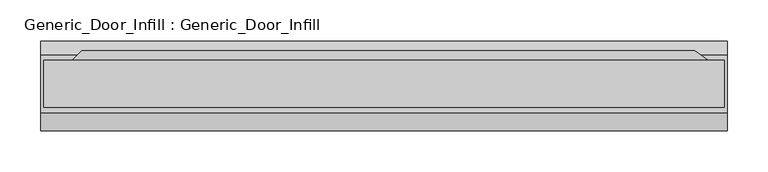
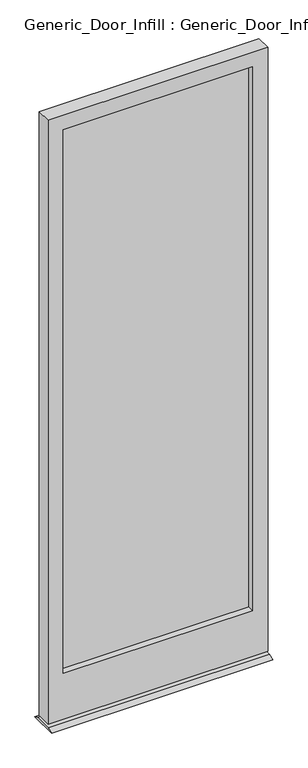
"""IFC4 building model written with IfcOpenShell, lengths in millimetres: plate geometry, Generic_Door_Infill : Generic_Door_Infill."""

import ifcopenshell
import ifcopenshell.guid

model = None  # the IFC model being written
_history = None  # IfcOwnerHistory: only IFC2X3 demands one
_inside = {}  # id of a spatial element -> (the spatial element, [elements in it])
_under = {}  # id of a project, library or spatial element -> (it, [spatial elements below it])
_declared = {}  # id of a project -> (the project, [libraries it declares])
_typed = {}  # id of a type object -> (the type object, [elements of that type])
_made_of = {}  # id of a material, layer set ... -> (it, [elements and type objects made of it])


def new_model(schema):
    """Start an empty IFC model of exactly this schema.

    Asked for "IFC4X3", IfcOpenShell would pick the latest addendum, in which some entities
    have other attributes; the version numbers below select the first issue.
    IFC2X3 requires an IfcOwnerHistory on every rooted entity: one is made here for all.
    """
    global model, _history
    if schema == "IFC4X3":
        model = ifcopenshell.file(schema_version=(4, 3, 0, 0))
    else:
        model = ifcopenshell.file(schema=schema)
    _inside.clear()
    _under.clear()
    _declared.clear()
    _typed.clear()
    _made_of.clear()
    _history = None
    if model.schema == "IFC2X3":
        org = make("IfcOrganization", Name="unknown")
        user = make(
            "IfcPersonAndOrganization",
            ThePerson=make("IfcPerson", FamilyName="unknown"),
            TheOrganization=org,
        )
        app = make(
            "IfcApplication",
            ApplicationDeveloper=org,
            Version="unknown",
            ApplicationFullName="unknown",
            ApplicationIdentifier="unknown",
        )
        _history = make(
            "IfcOwnerHistory",
            OwningUser=user,
            OwningApplication=app,
            ChangeAction="ADDED",
            CreationDate=0,
        )
    return model


def make(cls, **values):
    """One entity of the class cls with the attributes given. An attribute that is None is left unset."""
    return model.create_entity(
        cls, **{name: value for name, value in values.items() if value is not None}
    )


def rooted(cls, **values):
    """An entity with a GlobalId (a new one), such as an element, a storey or a relation."""
    return make(cls, GlobalId=ifcopenshell.guid.new(), OwnerHistory=_history, **values)


def si_unit(unit_type, name, prefix=None):
    """IfcSIUnit, for example si_unit("LENGTHUNIT", "METRE", prefix="MILLI")."""
    return make("IfcSIUnit", UnitType=unit_type, Prefix=prefix, Name=name)


def assignment(units):
    """IfcUnitAssignment: the units of a project."""
    return None if units is None else make("IfcUnitAssignment", Units=units)


def point(xyz):
    """IfcCartesianPoint."""
    return None if xyz is None else make("IfcCartesianPoint", Coordinates=xyz)


def direction(xyz):
    """IfcDirection."""
    return None if xyz is None else make("IfcDirection", DirectionRatios=xyz)


def frame(location, z_axis=None, x_axis=None):
    """IfcAxis2Placement3D, a coordinate frame: its origin and axes. An axis left out is left unset."""
    return make(
        "IfcAxis2Placement3D",
        Location=point(location),
        Axis=direction(z_axis),
        RefDirection=direction(x_axis),
    )


def origin():
    """The frame at (0, 0, 0) with its axes left unset."""
    return frame((0.0, 0.0, 0.0))


def place(relative_to, where):
    """IfcLocalPlacement: puts the frame where relative to a parent placement (None: the world)."""
    return make(
        "IfcLocalPlacement", PlacementRelTo=relative_to, RelativePlacement=where
    )


def context(
    kind, dimensions, precision=None, world=None, true_north=None, identifier=None
):
    """IfcGeometricRepresentationContext, for example the 3D "Model" context."""
    return make(
        "IfcGeometricRepresentationContext",
        ContextIdentifier=identifier,
        ContextType=kind,
        CoordinateSpaceDimension=dimensions,
        Precision=precision,
        WorldCoordinateSystem=world,
        TrueNorth=true_north,
    )


def project(units=None, contexts=None):
    """IfcProject with its units and contexts."""
    return rooted(
        "IfcProject",
        Name="project",
        RepresentationContexts=contexts,
        UnitsInContext=assignment(units),
    )


def spatial(cls, under=None, at=None, **own):
    """A site, building, storey or space (cls), placed at a placement, below another one or the project."""
    s = rooted(cls, ObjectPlacement=at, **own)
    if under is not None:
        _under.setdefault(under.id(), (under, []))[1].append(s)
    return s


def polyline(points):
    """IfcPolyline through the points."""
    return make("IfcPolyline", Points=[point(p) for p in points])


def outline(outer, holes=None, kind="AREA"):
    """IfcArbitraryClosedProfileDef: a profile drawn as a closed curve; with holes, ...WithVoids."""
    if holes is None:
        return make("IfcArbitraryClosedProfileDef", ProfileType=kind, OuterCurve=outer)
    return make(
        "IfcArbitraryProfileDefWithVoids",
        ProfileType=kind,
        OuterCurve=outer,
        InnerCurves=holes,
    )


def extrude(swept, where, along, depth):
    """IfcExtrudedAreaSolid: the profile swept, set in the frame where, extruded along a direction by depth."""
    return make(
        "IfcExtrudedAreaSolid",
        SweptArea=swept,
        Position=where,
        ExtrudedDirection=direction(along),
        Depth=depth,
    )


def shape(context_of_items, identifier, shape_type, items):
    """IfcShapeRepresentation: the items that make up one representation, for example the "Body"."""
    return make(
        "IfcShapeRepresentation",
        ContextOfItems=context_of_items,
        RepresentationIdentifier=identifier,
        RepresentationType=shape_type,
        Items=items,
    )


def source(mapping_origin, context_of_items, identifier, shape_type, items):
    """IfcRepresentationMap: a shape defined once, which mapped items show again and again."""
    return make(
        "IfcRepresentationMap",
        MappingOrigin=mapping_origin,
        MappedRepresentation=shape(context_of_items, identifier, shape_type, items),
    )


def transform(
    local_origin,
    x_axis=None,
    y_axis=None,
    z_axis=None,
    scale=None,
    scale2=None,
    scale3=None,
    uniform=True,
):
    """IfcCartesianTransformationOperator3D, or its non-uniform kind. x_axis, y_axis, z_axis: its Axis1, 2, 3."""
    if uniform:
        return make(
            "IfcCartesianTransformationOperator3D",
            Axis1=direction(x_axis),
            Axis2=direction(y_axis),
            LocalOrigin=point(local_origin),
            Scale=scale,
            Axis3=direction(z_axis),
        )
    return make(
        "IfcCartesianTransformationOperator3DnonUniform",
        Axis1=direction(x_axis),
        Axis2=direction(y_axis),
        LocalOrigin=point(local_origin),
        Scale=scale,
        Axis3=direction(z_axis),
        Scale2=scale2,
        Scale3=scale3,
    )


def mapped(mapping_source, mapping_target):
    """IfcMappedItem: shows the shape of a source again, moved by a transform."""
    return make(
        "IfcMappedItem", MappingSource=mapping_source, MappingTarget=mapping_target
    )


def made_of(thing, what):
    """Note that an element or type object is made of a material, layer set ...; save() writes the relation."""
    if what is not None:
        _made_of.setdefault(what.id(), (what, []))[1].append(thing)
    return thing


def element(
    cls,
    number,
    at=None,
    inside=None,
    cuts=None,
    type_object=None,
    material=None,
    context=None,
    identifier="Body",
    shape_type=None,
    held_by="IfcProductDefinitionShape",
    body=None,
    shapes=None,
    **own,
):
    """One element of the class cls, such as IfcWall. Its Tag is "e" and its number.

    at: its placement. inside: the storey or other place that contains it. cuts: it is an
    opening in that element (IfcRelVoidsElement). A single representation is given by context,
    identifier, shape_type and body (its items); several are given by shapes. held_by: the class
    of the entity that holds the representations. save() writes the other relations.
    """
    e = rooted(cls, Tag="e%d" % number, ObjectPlacement=at, **own)
    if body is not None:
        shapes = [shape(context, identifier, shape_type, body)]
    if shapes is not None:
        e.Representation = make(held_by, Representations=shapes)
    if inside is not None:
        _inside.setdefault(inside.id(), (inside, []))[1].append(e)
    if cuts is not None:
        rooted(
            "IfcRelVoidsElement", RelatingBuildingElement=cuts, RelatedOpeningElement=e
        )
    if type_object is not None:
        _typed.setdefault(type_object.id(), (type_object, []))[1].append(e)
    return made_of(e, material)


def aggregate(whole, parts):
    """IfcRelAggregates: a whole, such as a stair, and the parts it consists of."""
    return rooted("IfcRelAggregates", RelatingObject=whole, RelatedObjects=parts)


def save(model, path):
    """Write the relations noted so far, then the file.

    IfcRelAggregates (storeys below a building ...), IfcRelContainedInSpatialStructure (elements
    in a storey), IfcRelDefinesByType, IfcRelAssociatesMaterial and IfcRelDeclares: one each for
    every whole, place, type object, material and project.
    """
    for whole, parts in _under.values():
        aggregate(whole, parts)
    for where, things in _inside.values():
        rooted(
            "IfcRelContainedInSpatialStructure",
            RelatedElements=things,
            RelatingStructure=where,
        )
    for kind, things in _typed.values():
        rooted("IfcRelDefinesByType", RelatedObjects=things, RelatingType=kind)
    for what, things in _made_of.values():
        rooted("IfcRelAssociatesMaterial", RelatedObjects=things, RelatingMaterial=what)
    for by, libraries in _declared.values():
        rooted("IfcRelDeclares", RelatingContext=by, RelatedDefinitions=libraries)
    model.write(path)


def generic_door_infill_generic_door_infill_47002cd5(model_context):
    return source(origin(), model_context, "Body", "SweptSolid", [
        extrude(outline(polyline([(-369.3894878, 35.8230014), (379.8567123, 35.8230014), (405.5069821, 17.8624892), (-387.35, 17.8624892), (-369.3894878, 35.8230014)])), frame((0.0, 0.0, 1090.3849987), z_axis=(0.0, 0.0, 1.0), x_axis=(1.0, 0.0, 0.0)), (0.0, 0.0, 1.0), 78.0150013),
        extrude(outline(polyline([(-358.775, -7.5375108), (-358.775, -1.1875108), (358.775, -1.1875108), (358.775, -7.5375108), (-358.775, -7.5375108)])), frame((0.0, 0.0, 200.025), z_axis=(0.0, 0.0, 1.0), x_axis=(1.0, 0.0, 0.0)), (0.0, 0.0, 1.0), 2174.8749372),
        extrude(outline(polyline([(2432.0499372, 415.925), (2432.0499372, -415.925), (17.4625, -415.925), (17.4625, 415.925), (2432.0499372, 415.925)]), holes=[polyline([(2374.8999372, 358.775), (200.025, 358.775), (200.025, -358.775), (2374.8999372, -358.775), (2374.8999372, 358.775)])]), frame((0.0, -32.9375108, 0.0), z_axis=(0.0, 1.0, 0.0), x_axis=(0.0, 0.0, 1.0)), (0.0, 0.0, 1.0), 57.15),
        extrude(outline(polyline([(30.5624892, 8.0508779), (47.8276525, 0.0), (-61.407116, 0.0), (-39.2875108, 8.0508779), (30.5624892, 8.0508779)])), frame((-419.1, 0.0, 0.0), z_axis=(1.0, 0.0, 0.0), x_axis=(0.0, 1.0, 0.0)), (0.0, 0.0, 1.0), 838.2),
    ])


if __name__ == "__main__":
    model = new_model("IFC4")
    model_context = context("Model", 3, world=origin())
    ifc_project = project(units=[si_unit("LENGTHUNIT", "METRE", prefix="MILLI")], contexts=[model_context])
    site = spatial("IfcSite", under=ifc_project)
    building = spatial("IfcBuilding", under=site)
    placement = place(None, origin())
    generic_door_infill_generic_door_infill_shape = generic_door_infill_generic_door_infill_47002cd5(model_context)
    element("IfcPlate", 1, ObjectType="Generic_Door_Infill : Generic_Door_Infill", at=placement, inside=building, context=model_context, shape_type="MappedRepresentation", body=[
        mapped(generic_door_infill_generic_door_infill_shape, transform((0.0, 0.0, 0.0), x_axis=(1.0, 0.0, 0.0), y_axis=(0.0, 1.0, 0.0), z_axis=(0.0, 0.0, 1.0))),
    ])
    save(model, "model.ifc")
